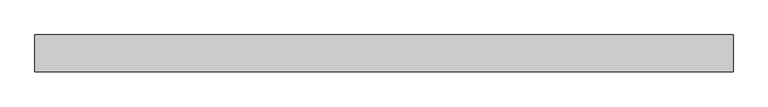
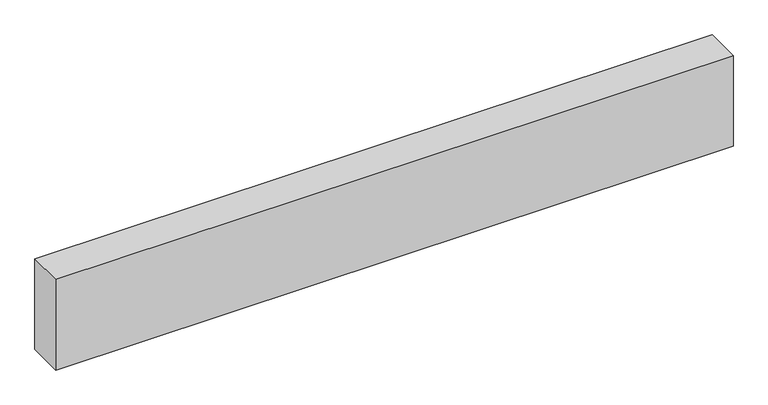
"""IFC4 building model written with IfcOpenShell, lengths in millimetres: beam geometry."""

from ifc_helpers import new_model, si_unit, frame, origin, place, context, project, spatial, polyline, outline, extrude, source, transform, mapped, element, save


def beam_b58ba088(model_context):
    return source(origin(), model_context, "Body", "SweptSolid", [
        extrude(outline(polyline([(1412.7, 75.0), (1412.7, -75.0), (-1412.7, -75.0), (-1412.7, 75.0), (1412.7, 75.0)])), frame((0.0, 0.0, -200.0), z_axis=(0.0, 0.0, 1.0), x_axis=(1.0, 0.0, 0.0)), (0.0, 0.0, 1.0), 400.0),
    ])


if __name__ == "__main__":
    model = new_model("IFC4")
    model_context = context("Model", 3, world=origin())
    ifc_project = project(units=[si_unit("LENGTHUNIT", "METRE", prefix="MILLI")], contexts=[model_context])
    site = spatial("IfcSite", under=ifc_project)
    building = spatial("IfcBuilding", under=site)
    placement = place(None, origin())
    beam_shape = beam_b58ba088(model_context)
    element("IfcBeam", 1, at=placement, inside=building, context=model_context, shape_type="MappedRepresentation", body=[
        mapped(beam_shape, transform((0.0, 0.0, 0.0), x_axis=(1.0, 0.0, 0.0), y_axis=(0.0, 1.0, 0.0), z_axis=(0.0, 0.0, 1.0))),
    ])
    save(model, "model.ifc")
